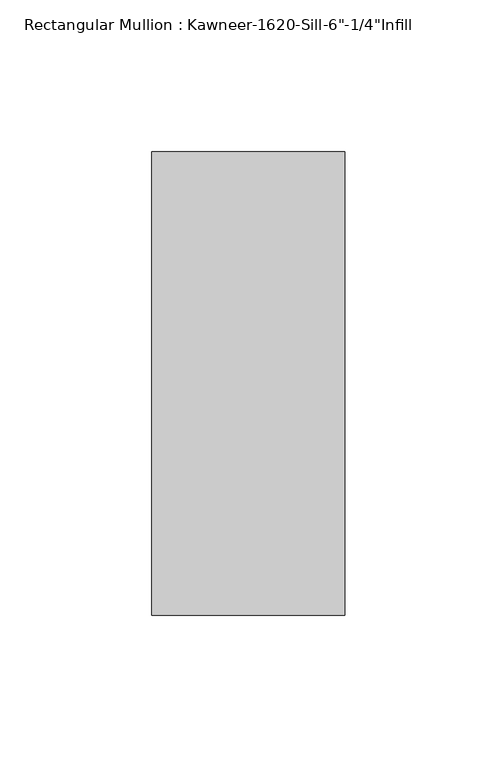
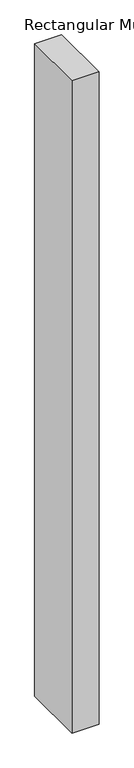
"""IFC4 building model written with IfcOpenShell, lengths in millimetres: member geometry."""

from ifc_helpers import new_model, si_unit, frame, origin, place, context, project, spatial, polyline, outline, extrude, source, transform, mapped, element, save


def member_2305eb44(model_context):
    return source(origin(), model_context, "Body", "SweptSolid", [
        extrude(outline(polyline([(-63.5, 28.575), (0.0, 28.575), (0.0, -123.825), (-63.5, -123.825), (-63.5, 28.575)])), frame((0.0, 0.0, -1625.6), z_axis=(0.0, 0.0, 1.0), x_axis=(1.0, 0.0, 0.0)), (0.0, 0.0, 1.0), 1625.6),
    ])


if __name__ == "__main__":
    model = new_model("IFC4")
    model_context = context("Model", 3, world=origin())
    ifc_project = project(units=[si_unit("LENGTHUNIT", "METRE", prefix="MILLI")], contexts=[model_context])
    site = spatial("IfcSite", under=ifc_project)
    building = spatial("IfcBuilding", under=site)
    placement = place(None, origin())
    member_shape = member_2305eb44(model_context)
    element("IfcMember", 1, ObjectType="Rectangular Mullion : Kawneer-1620-Sill-6\"-1/4\"Infill", at=placement, inside=building, context=model_context, shape_type="MappedRepresentation", body=[
        mapped(member_shape, transform((0.0, 0.0, 0.0), x_axis=(1.0, 0.0, 0.0), y_axis=(0.0, 1.0, 0.0), z_axis=(0.0, 0.0, 1.0))),
    ])
    save(model, "model.ifc")
